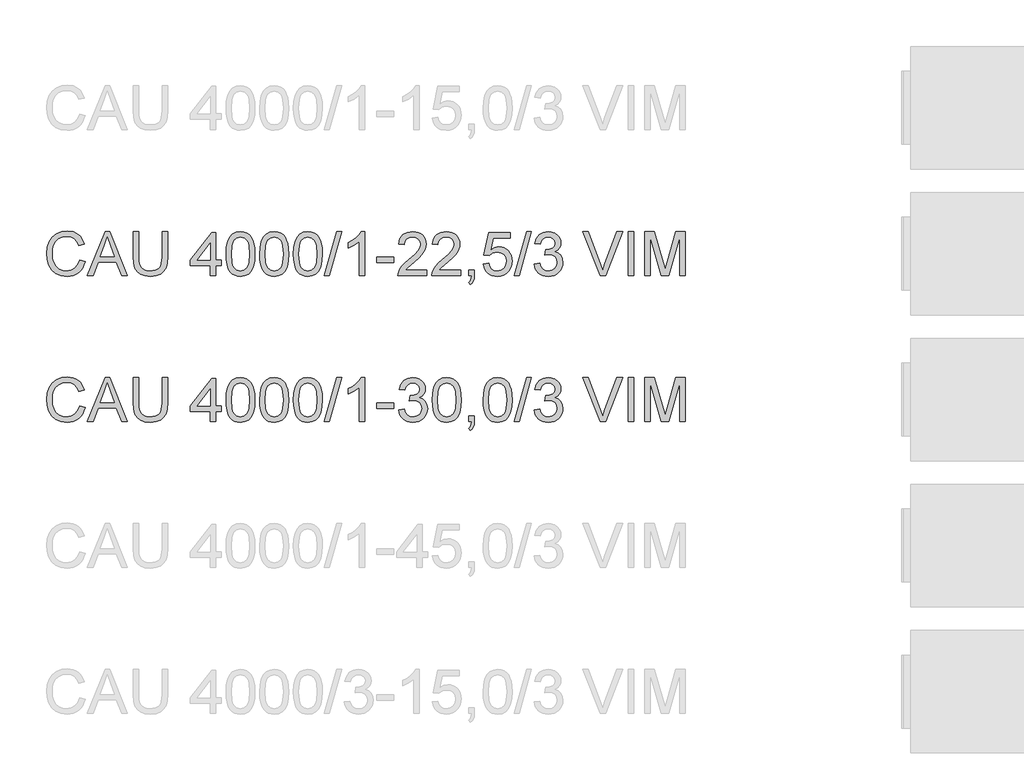
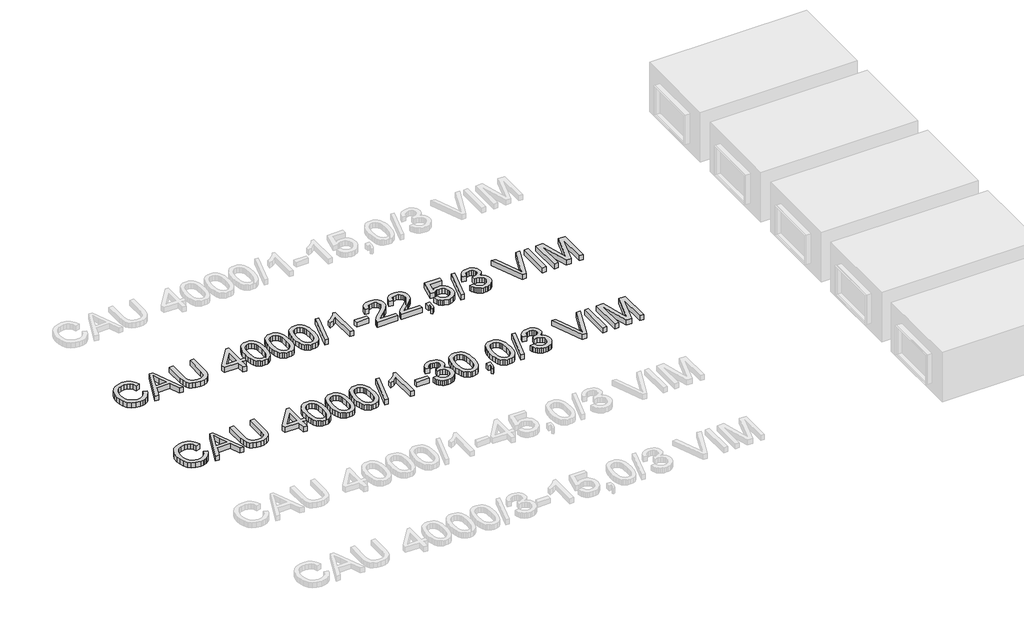
# One storey, part 67 of 74: 2 proxies.
"""IFC4 building model written with IfcOpenShell, lengths in millimetres."""

from ifc_helpers import new_model, si_unit, origin, origin_with_axes, place, context, project, spatial, polyline, outline, extrude, element, save

model = new_model("IFC4")

# Units and contexts
model_context = context("Model", 3, world=origin())
ifc_project = project(units=[si_unit("LENGTHUNIT", "METRE", prefix="MILLI")], contexts=[model_context])

# Site, building, storey
site = spatial("IfcSite", under=ifc_project)
building = spatial("IfcBuilding", under=site)
storey = spatial("IfcBuildingStorey", under=building, Elevation=0.0)

# Proxies
placement = place(None, origin())
element("IfcBuildingElementProxy", 1, Name="Generic Models", at=placement, inside=storey, context=model_context, shape_type="SweptSolid", body=[
    extrude(outline(polyline([(44539.6928381, -4799.1632103), (44577.3639544, -4808.875295), (44569.9097455, -4832.3024803), (44559.9815302, -4852.7728141), (44547.5793084, -4870.2862963), (44532.7030802, -4884.842927), (44515.688538, -4896.2863563), (44496.8713739, -4904.4602344), (44476.2515881, -4909.3645613), (44453.8291805, -4910.9993369), (44410.1339965, -4906.051324), (44375.4335273, -4891.2072855), (44348.835659, -4866.9822562), (44329.4482779, -4833.8912707), (44317.6116747, -4794.9877497), (44313.6661403, -4753.3251137), (44318.1267095, -4709.3816094), (44331.5084171, -4671.4345816), (44353.1122872, -4640.6888439), (44382.2393442, -4618.3492097), (44416.7834636, -4604.7467729), (44454.6385209, -4600.2126274), (44495.9424719, -4606.0803452), (44513.9112081, -4613.4149925), (44530.0911181, -4623.6834986), (44544.2154874, -4636.6145508), (44556.0176017, -4651.9368359), (44572.6550649, -4689.755105), (44534.9839486, -4698.7314257), (44521.9241378, -4671.2598377), (44504.081861, -4652.4150825), (44481.2363891, -4641.5165784), (44453.1669929, -4637.8837437), (44420.8117714, -4641.9120515), (44394.2322973, -4653.996975), (44374.0631669, -4672.8693214), (44360.9389767, -4697.2598977), (44353.7376866, -4724.8326532), (44351.3372566, -4753.2515373), (44354.179145, -4788.0531741), (44362.7048103, -4818.1459213), (44377.2361491, -4842.3801477), (44398.0950582, -4859.6062222), (44423.1018368, -4869.897721), (44450.0767841, -4873.3282206), (44481.5214977, -4868.6561192), (44507.7238928, -4854.6398152), (44527.5067471, -4831.4264613), (44539.6928381, -4799.1632103)])), origin_with_axes(), (0.0, 0.0, 1.0), 50.0),
    extrude(outline(polyline([(44594.065797, -4906.2904473), (44714.3632095, -4604.9215169), (44746.4425194, -4604.9215169), (44866.7399319, -4906.2904473), (44826.9351, -4906.2904473), (44792.4277688, -4812.1126566), (44668.3043837, -4812.1126566), (44633.8706289, -4906.2904473), (44594.065797, -4906.2904473)]), holes=[polyline([(44682.1367467, -4774.4415403), (44778.6689822, -4774.4415403), (44751.519291, -4700.3501064), (44730.4028644, -4642.5926332), (44711.6408827, -4693.8753833), (44682.1367467, -4774.4415403)])]), origin_with_axes(), (0.0, 0.0, 1.0), 50.0),
    extrude(outline(polyline([(45104.7595827, -4604.9215169), (45142.430699, -4604.9215169), (45142.430699, -4778.7825478), (45139.8739192, -4819.4978876), (45132.2035796, -4850.8506307), (45117.8745759, -4875.0388719), (45095.3418037, -4894.2607061), (45064.5500807, -4906.8146792), (45025.4442246, -4910.9993369), (44987.1936941, -4907.3573051), (44956.6135033, -4896.4312099), (44933.694455, -4878.5981302), (44918.4273522, -4854.235145), (44909.8465046, -4821.5580268), (44906.9862221, -4778.7825478), (44906.9862221, -4604.9215169), (44944.6573384, -4604.9215169), (44944.6573384, -4777.4581726), (44946.5151425, -4811.3125132), (44952.0885547, -4834.8845521), (44962.1869155, -4851.2093156), (44977.6195652, -4863.3218303), (44997.7427103, -4870.826623), (45021.9125574, -4873.3282206), (45060.2274672, -4868.3802077), (45074.5702665, -4862.1951917), (45085.7032954, -4853.5361692), (45094.0404211, -4841.3592752), (45099.9955109, -4824.6206444), (45104.7595827, -4777.4581726), (45104.7595827, -4604.9215169)])), origin_with_axes(), (0.0, 0.0, 1.0), 50.0),
    extrude(outline(polyline([(45434.3818504, -4906.2904473), (45434.3818504, -4835.6571043), (45297.8240538, -4835.6571043), (45297.8240538, -4797.985988), (45443.7996295, -4609.6304064), (45472.0529667, -4609.6304064), (45472.0529667, -4797.985988), (45509.724083, -4797.985988), (45509.724083, -4835.6571043), (45472.0529667, -4835.6571043), (45472.0529667, -4906.2904473), (45434.3818504, -4906.2904473)]), holes=[polyline([(45434.3818504, -4797.985988), (45434.3818504, -4681.5881247), (45344.1771852, -4797.985988), (45434.3818504, -4797.985988)])]), origin_with_axes(), (0.0, 0.0, 1.0), 50.0),
    extrude(outline(polyline([(45542.6863098, -4758.0340033), (45545.4546218, -4709.7954767), (45553.7595578, -4671.324217), (45567.5183445, -4642.0316132), (45586.6482082, -4621.3290539), (45611.2871048, -4609.0234011), (45641.5729901, -4604.9215169), (45664.786344, -4607.3495381), (45685.5716767, -4614.6336016), (45702.954101, -4626.4885989), (45715.9587295, -4642.6294214), (45725.7811788, -4662.9181134), (45733.6170653, -4687.2167192), (45738.7490191, -4718.0728216), (45740.4596704, -4758.0340033), (45737.7189495, -4805.9966184), (45729.4967869, -4844.3759076), (45715.8207738, -4873.6961026), (45696.7185012, -4894.4814353), (45672.0244222, -4906.8698615), (45641.5729901, -4910.9993369), (45620.8244456, -4909.2059122), (45602.4303458, -4903.825638), (45586.3906908, -4894.8585143), (45572.7054806, -4882.3045413), (45559.5720934, -4859.6108207), (45550.1911025, -4831.3344908), (45544.562508, -4797.4755517), (45542.6863098, -4758.0340033)]), holes=[polyline([(45580.3574261, -4757.9604269), (45584.77201, -4817.2170193), (45590.29024, -4837.4850179), (45598.0157619, -4851.5128183), (45617.7342368, -4867.87437), (45641.5729901, -4873.3282206), (45665.4117434, -4867.8559759), (45685.1302183, -4851.4392419), (45692.8557402, -4837.3884489), (45698.3739702, -4817.1250488), (45702.7885541, -4757.9604269), (45698.5211229, -4700.0374067), (45693.186834, -4679.8360867), (45685.7188295, -4665.4748933), (45666.0371428, -4648.3131982), (45641.1315317, -4642.5926332), (45617.5502958, -4647.6326165), (45598.6043731, -4662.7525665), (45590.6213338, -4678.3875513), (45584.9191628, -4699.4671897), (45580.3574261, -4757.9604269)])]), origin_with_axes(), (0.0, 0.0, 1.0), 50.0),
    extrude(outline(polyline([(45773.4218972, -4758.0340033), (45776.1902092, -4709.7954767), (45784.4951452, -4671.324217), (45798.2539318, -4642.0316132), (45817.3837956, -4621.3290539), (45842.0226922, -4609.0234011), (45872.3085775, -4604.9215169), (45895.5219314, -4607.3495381), (45916.3072641, -4614.6336016), (45933.6896884, -4626.4885989), (45946.6943169, -4642.6294214), (45956.5167662, -4662.9181134), (45964.3526527, -4687.2167192), (45969.4846065, -4718.0728216), (45971.1952578, -4758.0340033), (45968.4545369, -4805.9966184), (45960.2323743, -4844.3759076), (45946.5563611, -4873.6961026), (45927.4540885, -4894.4814353), (45902.7600096, -4906.8698615), (45872.3085775, -4910.9993369), (45851.5600329, -4909.2059122), (45833.1659332, -4903.825638), (45817.1262782, -4894.8585143), (45803.441068, -4882.3045413), (45790.3076807, -4859.6108207), (45780.9266899, -4831.3344908), (45775.2980953, -4797.4755517), (45773.4218972, -4758.0340033)]), holes=[polyline([(45811.0930135, -4757.9604269), (45815.5075974, -4817.2170193), (45821.0258273, -4837.4850179), (45828.7513492, -4851.5128183), (45848.4698242, -4867.87437), (45872.3085775, -4873.3282206), (45896.1473308, -4867.8559759), (45915.8658057, -4851.4392419), (45923.5913276, -4837.3884489), (45929.1095575, -4817.1250488), (45933.5241415, -4757.9604269), (45929.2567103, -4700.0374067), (45923.9224214, -4679.8360867), (45916.4544169, -4665.4748933), (45896.7727302, -4648.3131982), (45871.8671191, -4642.5926332), (45848.2858832, -4647.6326165), (45829.3399604, -4662.7525665), (45821.3569211, -4678.3875513), (45815.6547502, -4699.4671897), (45811.0930135, -4757.9604269)])]), origin_with_axes(), (0.0, 0.0, 1.0), 50.0),
    extrude(outline(polyline([(46004.1574845, -4758.0340033), (46006.9257966, -4709.7954767), (46015.2307326, -4671.324217), (46028.9895192, -4642.0316132), (46048.119383, -4621.3290539), (46072.7582796, -4609.0234011), (46103.0441648, -4604.9215169), (46126.2575187, -4607.3495381), (46147.0428515, -4614.6336016), (46164.4252757, -4626.4885989), (46177.4299043, -4642.6294214), (46187.2523535, -4662.9181134), (46195.08824, -4687.2167192), (46200.2201939, -4718.0728216), (46201.9308451, -4758.0340033), (46199.1901243, -4805.9966184), (46190.9679617, -4844.3759076), (46177.2919485, -4873.6961026), (46158.1896759, -4894.4814353), (46133.495597, -4906.8698615), (46103.0441648, -4910.9993369), (46082.2956203, -4909.2059122), (46063.9015206, -4903.825638), (46047.8618656, -4894.8585143), (46034.1766553, -4882.3045413), (46021.0432681, -4859.6108207), (46011.6622772, -4831.3344908), (46006.0336827, -4797.4755517), (46004.1574845, -4758.0340033)]), holes=[polyline([(46041.8286008, -4757.9604269), (46046.2431848, -4817.2170193), (46051.7614147, -4837.4850179), (46059.4869366, -4851.5128183), (46079.2054116, -4867.87437), (46103.0441648, -4873.3282206), (46126.8829181, -4867.8559759), (46146.6013931, -4851.4392419), (46154.326915, -4837.3884489), (46159.8451449, -4817.1250488), (46164.2597288, -4757.9604269), (46159.9922977, -4700.0374067), (46154.6580088, -4679.8360867), (46147.1900043, -4665.4748933), (46127.5083175, -4648.3131982), (46102.6027065, -4642.5926332), (46079.0214706, -4647.6326165), (46060.0755478, -4662.7525665), (46052.0925085, -4678.3875513), (46046.3903376, -4699.4671897), (46041.8286008, -4757.9604269)])]), origin_with_axes(), (0.0, 0.0, 1.0), 50.0),
    extrude(outline(polyline([(46216.0575138, -4906.2904473), (46300.8175255, -4604.9215169), (46334.8098218, -4604.9215169), (46250.0498101, -4906.2904473), (46216.0575138, -4906.2904473)])), origin_with_axes(), (0.0, 0.0, 1.0), 50.0),
    extrude(outline(polyline([(46493.8819965, -4906.2904473), (46456.2108802, -4906.2904473), (46456.2108802, -4671.4345816), (46420.5263267, -4696.8552275), (46380.8686476, -4715.8747266), (46380.8686476, -4680.2637495), (46410.4555571, -4664.1689122), (46436.0877351, -4645.0206544), (46456.2936537, -4624.6583859), (46469.6017848, -4604.9215169), (46493.8819965, -4604.9215169), (46493.8819965, -4906.2904473)])), origin_with_axes(), (0.0, 0.0, 1.0), 50.0),
    extrude(outline(polyline([(46573.9331187, -4816.8215461), (46573.9331187, -4779.1504298), (46691.6553571, -4779.1504298), (46691.6553571, -4816.8215461), (46573.9331187, -4816.8215461)])), origin_with_axes(), (0.0, 0.0, 1.0), 50.0),
    extrude(outline(polyline([(46917.682055, -4868.619331), (46917.682055, -4906.2904473), (46719.9086944, -4906.2904473), (46723.9553963, -4880.3179785), (46733.2444167, -4860.0200894), (46746.8376564, -4840.3292056), (46766.500949, -4819.7186168), (46794.0001282, -4796.6616128), (46834.6510887, -4760.553995), (46859.0416649, -4733.9009444), (46871.2369531, -4712.2694831), (46875.3020491, -4691.226633), (46871.4668793, -4672.3634837), (46859.9613699, -4656.6825136), (46842.275443, -4646.1151033), (46819.8990206, -4642.5926332), (46796.4005582, -4646.0323299), (46778.1444142, -4656.3514198), (46766.3629933, -4672.7405627), (46762.2887002, -4694.3904181), (46724.6175839, -4689.6815286), (46733.7502544, -4653.242817), (46742.296613, -4638.7068796), (46753.4963205, -4626.6265546), (46767.0918595, -4617.1306006), (46782.8257126, -4610.3477763), (46820.708361, -4604.9215169), (46840.8981848, -4606.4298331), (46858.866921, -4610.9547816), (46874.6145696, -4618.4963625), (46888.1411308, -4629.0545758), (46899.0051459, -4641.8476722), (46906.7651568, -4656.0939024), (46911.4211633, -4671.7932666), (46912.9731654, -4688.9457646), (46911.2993023, -4706.9627853), (46906.2777131, -4724.6671063), (46897.3657718, -4742.67493), (46884.0208524, -4761.6024586), (46862.748076, -4784.1996102), (46830.0525637, -4813.2163026), (46786.7160647, -4849.4526791), (46769.7199165, -4868.619331), (46917.682055, -4868.619331)])), origin_with_axes(), (0.0, 0.0, 1.0), 50.0),
    extrude(outline(polyline([(47148.4176423, -4868.619331), (47148.4176423, -4906.2904473), (46950.6442817, -4906.2904473), (46954.6909837, -4880.3179785), (46963.9800041, -4860.0200894), (46977.5732438, -4840.3292056), (46997.2365364, -4819.7186168), (47024.7357156, -4796.6616128), (47065.386676, -4760.553995), (47089.7772523, -4733.9009444), (47101.9725404, -4712.2694831), (47106.0376365, -4691.226633), (47102.2024667, -4672.3634837), (47090.6969573, -4656.6825136), (47073.0110304, -4646.1151033), (47050.634608, -4642.5926332), (47027.1361456, -4646.0323299), (47008.8800016, -4656.3514198), (46997.0985807, -4672.7405627), (46993.0242876, -4694.3904181), (46955.3531713, -4689.6815286), (46964.4858418, -4653.242817), (46973.0322004, -4638.7068796), (46984.2319079, -4626.6265546), (46997.8274469, -4617.1306006), (47013.5613, -4610.3477763), (47051.4439484, -4604.9215169), (47071.6337722, -4606.4298331), (47089.6025084, -4610.9547816), (47105.350157, -4618.4963625), (47118.8767181, -4629.0545758), (47129.7407333, -4641.8476722), (47137.5007441, -4656.0939024), (47142.1567506, -4671.7932666), (47143.7087528, -4688.9457646), (47142.0348897, -4706.9627853), (47137.0133005, -4724.6671063), (47128.1013592, -4742.67493), (47114.7564398, -4761.6024586), (47093.4836634, -4784.1996102), (47060.7881511, -4813.2163026), (47017.4516521, -4849.4526791), (47000.4555039, -4868.619331), (47148.4176423, -4868.619331)])), origin_with_axes(), (0.0, 0.0, 1.0), 50.0),
    extrude(outline(polyline([(47204.9243168, -4906.2904473), (47204.9243168, -4868.619331), (47242.5954331, -4868.619331), (47242.5954331, -4906.2904473), (47240.9031759, -4927.8391352), (47235.8264044, -4944.8076922), (47227.0708129, -4957.8215178), (47214.3420959, -4967.5060113), (47204.9243168, -4953.3793427), (47213.0912971, -4946.5551317), (47218.7566798, -4937.1189585), (47223.6862986, -4906.2904473), (47204.9243168, -4906.2904473)])), origin_with_axes(), (0.0, 0.0, 1.0), 50.0),
    extrude(outline(polyline([(47303.8109971, -4826.2393252), (47341.4821134, -4821.5304357), (47348.3982949, -4844.1459813), (47360.4648244, -4860.3419861), (47377.6265194, -4870.081662), (47399.8281978, -4873.3282206), (47426.8307363, -4868.8124691), (47447.064246, -4855.2652146), (47459.7009926, -4834.2499556), (47463.9132414, -4807.3301906), (47459.967707, -4781.9831212), (47448.1311038, -4762.59574), (47428.3114613, -4750.2900873), (47400.416809, -4746.188203), (47382.1422709, -4747.8252779), (47367.3442177, -4752.7365026), (47346.1910029, -4769.7326507), (47308.5198866, -4765.0237612), (47341.4821134, -4609.6304064), (47487.4576891, -4609.6304064), (47487.4576891, -4647.3015227), (47371.9427426, -4647.3015227), (47355.8295112, -4730.2957008), (47382.7400792, -4713.9617403), (47410.9382341, -4708.5170867), (47429.2840493, -4710.2047454), (47446.135344, -4715.2677213), (47461.492118, -4723.7060146), (47475.3543715, -4735.5196252), (47486.8299904, -4749.9865846), (47495.0268611, -4766.3849246), (47499.9449836, -4784.714645), (47501.5843577, -4804.9757459), (47495.6798517, -4842.6468622), (47488.2992192, -4859.4406753), (47477.9663336, -4874.873325), (47462.3129547, -4890.6784552), (47444.0476137, -4901.9678339), (47423.1703104, -4908.7414611), (47399.681045, -4910.9993369), (47362.6813134, -4905.1959984), (47347.0026426, -4897.9418253), (47333.2047685, -4887.785983), (47321.724551, -4875.2343092), (47312.9988499, -4860.7926416), (47303.8109971, -4826.2393252)])), origin_with_axes(), (0.0, 0.0, 1.0), 50.0),
    extrude(outline(polyline([(47515.7110263, -4906.2904473), (47600.471038, -4604.9215169), (47634.4633344, -4604.9215169), (47549.7033227, -4906.2904473), (47515.7110263, -4906.2904473)])), origin_with_axes(), (0.0, 0.0, 1.0), 50.0),
    extrude(outline(polyline([(47652.2688229, -4826.2393252), (47689.9399392, -4821.5304357), (47698.373634, -4845.203642), (47710.725272, -4861.1881147), (47727.6018585, -4870.2931941), (47749.6103989, -4873.3282206), (47775.4357149, -4869.1527599), (47795.3749191, -4856.626378), (47808.1220302, -4837.9379726), (47812.3710672, -4815.2764417), (47808.1588184, -4793.7645421), (47795.5220719, -4776.3177384), (47776.3922081, -4764.7570467), (47752.7006076, -4760.9034828), (47726.2866804, -4765.0237612), (47730.4805351, -4727.3526449), (47736.5137998, -4727.7941033), (47759.0833602, -4725.0901706), (47779.2616877, -4716.9783726), (47793.4987209, -4703.2563742), (47798.2443986, -4683.7218403), (47794.804702, -4667.452259), (47784.485612, -4654.2544924), (47768.7402626, -4645.508098), (47749.0217877, -4642.5926332), (47729.2665245, -4645.5356892), (47713.1165049, -4654.364857), (47701.325887, -4669.0801369), (47694.6488288, -4689.6815286), (47656.9777125, -4684.972639), (47668.0693546, -4651.1458896), (47687.8062237, -4625.8907906), (47714.8087621, -4610.1638353), (47747.6974125, -4604.9215169), (47771.3798159, -4607.5058879), (47793.1308389, -4615.259001), (47811.4697563, -4627.4910773), (47824.9158433, -4643.5123382), (47833.165597, -4661.9708173), (47835.9155149, -4681.5145483), (47833.3035528, -4699.724707), (47825.4676663, -4716.2426086), (47812.51822, -4730.3140949), (47794.5655787, -4741.1850079), (47818.1468146, -4750.7131516), (47835.6212093, -4766.9367476), (47846.43694, -4788.9728791), (47850.0421835, -4815.9386293), (47848.2395618, -4835.050099), (47842.8316964, -4852.6532524), (47833.8185876, -4868.7480897), (47821.2002351, -4883.3346108), (47805.8273662, -4895.4379285), (47788.550708, -4904.0831554), (47769.3702605, -4909.2702915), (47748.2860237, -4910.9993369), (47729.2297363, -4909.5232104), (47711.8657062, -4905.0948309), (47696.1939332, -4897.7141983), (47682.2144173, -4887.3813128), (47670.4927773, -4874.7031795), (47661.5946315, -4860.2868038), (47655.5199801, -4844.1321857), (47652.2688229, -4826.2393252)])), origin_with_axes(), (0.0, 0.0, 1.0), 50.0),
    extrude(outline(polyline([(48103.8807602, -4906.2904473), (47983.9512298, -4604.9215169), (48024.2710965, -4604.9215169), (48104.5429478, -4822.0454704), (48120.803332, -4870.9737758), (48136.842987, -4822.0454704), (48217.3355675, -4604.9215169), (48257.6554342, -4604.9215169), (48142.8026753, -4906.2904473), (48103.8807602, -4906.2904473)])), origin_with_axes(), (0.0, 0.0, 1.0), 50.0),
    extrude(outline(polyline([(48297.3866897, -4906.2904473), (48297.3866897, -4604.9215169), (48335.057806, -4604.9215169), (48335.057806, -4906.2904473), (48297.3866897, -4906.2904473)])), origin_with_axes(), (0.0, 0.0, 1.0), 50.0),
    extrude(outline(polyline([(48410.4000386, -4906.2904473), (48410.4000386, -4604.9215169), (48475.2208461, -4604.9215169), (48536.8778685, -4817.3365809), (48549.31228, -4861.7031495), (48562.776761, -4813.657761), (48623.4037138, -4604.9215169), (48688.2245214, -4604.9215169), (48688.2245214, -4906.2904473), (48650.553405, -4906.2904473), (48650.553405, -4642.5926332), (48574.8432904, -4906.2904473), (48523.7812695, -4906.2904473), (48448.0711549, -4642.5926332), (48448.0711549, -4906.2904473), (48410.4000386, -4906.2904473)])), origin_with_axes(), (0.0, 0.0, 1.0), 50.0),
])
element("IfcBuildingElementProxy", 2, Name="Generic Models", at=placement, inside=storey, context=model_context, shape_type="SweptSolid", body=[
    extrude(outline(polyline([(44539.6928381, -5799.1632103), (44577.3639544, -5808.875295), (44569.9097455, -5832.3024803), (44559.9815302, -5852.7728141), (44547.5793084, -5870.2862963), (44532.7030802, -5884.842927), (44515.688538, -5896.2863563), (44496.8713739, -5904.4602344), (44476.2515881, -5909.3645613), (44453.8291805, -5910.9993369), (44410.1339965, -5906.051324), (44375.4335273, -5891.2072855), (44348.835659, -5866.9822562), (44329.4482779, -5833.8912707), (44317.6116747, -5794.9877497), (44313.6661403, -5753.3251137), (44318.1267095, -5709.3816094), (44331.5084171, -5671.4345816), (44353.1122872, -5640.6888439), (44382.2393442, -5618.3492097), (44416.7834636, -5604.7467729), (44454.6385209, -5600.2126274), (44495.9424719, -5606.0803452), (44513.9112081, -5613.4149925), (44530.0911181, -5623.6834986), (44544.2154874, -5636.6145508), (44556.0176017, -5651.9368359), (44572.6550649, -5689.755105), (44534.9839486, -5698.7314257), (44521.9241378, -5671.2598377), (44504.081861, -5652.4150825), (44481.2363891, -5641.5165784), (44453.1669929, -5637.8837437), (44420.8117714, -5641.9120515), (44394.2322973, -5653.996975), (44374.0631669, -5672.8693214), (44360.9389767, -5697.2598977), (44353.7376866, -5724.8326532), (44351.3372566, -5753.2515373), (44354.179145, -5788.0531741), (44362.7048103, -5818.1459213), (44377.2361491, -5842.3801477), (44398.0950582, -5859.6062222), (44423.1018368, -5869.897721), (44450.0767841, -5873.3282206), (44481.5214977, -5868.6561192), (44507.7238928, -5854.6398152), (44527.5067471, -5831.4264613), (44539.6928381, -5799.1632103)])), origin_with_axes(), (0.0, 0.0, 1.0), 50.0),
    extrude(outline(polyline([(44594.065797, -5906.2904473), (44714.3632095, -5604.9215169), (44746.4425194, -5604.9215169), (44866.7399319, -5906.2904473), (44826.9351, -5906.2904473), (44792.4277688, -5812.1126566), (44668.3043837, -5812.1126566), (44633.8706289, -5906.2904473), (44594.065797, -5906.2904473)]), holes=[polyline([(44682.1367467, -5774.4415403), (44778.6689822, -5774.4415403), (44751.519291, -5700.3501064), (44730.4028644, -5642.5926332), (44711.6408827, -5693.8753833), (44682.1367467, -5774.4415403)])]), origin_with_axes(), (0.0, 0.0, 1.0), 50.0),
    extrude(outline(polyline([(45104.7595827, -5604.9215169), (45142.430699, -5604.9215169), (45142.430699, -5778.7825478), (45139.8739192, -5819.4978876), (45132.2035796, -5850.8506307), (45117.8745759, -5875.0388719), (45095.3418037, -5894.2607061), (45064.5500807, -5906.8146792), (45025.4442246, -5910.9993369), (44987.1936941, -5907.3573051), (44956.6135033, -5896.4312099), (44933.694455, -5878.5981302), (44918.4273522, -5854.235145), (44909.8465046, -5821.5580268), (44906.9862221, -5778.7825478), (44906.9862221, -5604.9215169), (44944.6573384, -5604.9215169), (44944.6573384, -5777.4581726), (44946.5151425, -5811.3125132), (44952.0885547, -5834.8845521), (44962.1869155, -5851.2093156), (44977.6195652, -5863.3218303), (44997.7427103, -5870.826623), (45021.9125574, -5873.3282206), (45060.2274672, -5868.3802077), (45074.5702665, -5862.1951917), (45085.7032954, -5853.5361692), (45094.0404211, -5841.3592752), (45099.9955109, -5824.6206444), (45104.7595827, -5777.4581726), (45104.7595827, -5604.9215169)])), origin_with_axes(), (0.0, 0.0, 1.0), 50.0),
    extrude(outline(polyline([(45434.3818504, -5906.2904473), (45434.3818504, -5835.6571043), (45297.8240538, -5835.6571043), (45297.8240538, -5797.985988), (45443.7996295, -5609.6304064), (45472.0529667, -5609.6304064), (45472.0529667, -5797.985988), (45509.724083, -5797.985988), (45509.724083, -5835.6571043), (45472.0529667, -5835.6571043), (45472.0529667, -5906.2904473), (45434.3818504, -5906.2904473)]), holes=[polyline([(45434.3818504, -5797.985988), (45434.3818504, -5681.5881247), (45344.1771852, -5797.985988), (45434.3818504, -5797.985988)])]), origin_with_axes(), (0.0, 0.0, 1.0), 50.0),
    extrude(outline(polyline([(45542.6863098, -5758.0340033), (45545.4546218, -5709.7954767), (45553.7595578, -5671.324217), (45567.5183445, -5642.0316132), (45586.6482082, -5621.3290539), (45611.2871048, -5609.0234011), (45641.5729901, -5604.9215169), (45664.786344, -5607.3495381), (45685.5716767, -5614.6336016), (45702.954101, -5626.4885989), (45715.9587295, -5642.6294214), (45725.7811788, -5662.9181134), (45733.6170653, -5687.2167192), (45738.7490191, -5718.0728216), (45740.4596704, -5758.0340033), (45737.7189495, -5805.9966184), (45729.4967869, -5844.3759076), (45715.8207738, -5873.6961026), (45696.7185012, -5894.4814353), (45672.0244222, -5906.8698615), (45641.5729901, -5910.9993369), (45620.8244456, -5909.2059122), (45602.4303458, -5903.825638), (45586.3906908, -5894.8585143), (45572.7054806, -5882.3045413), (45559.5720934, -5859.6108207), (45550.1911025, -5831.3344908), (45544.562508, -5797.4755517), (45542.6863098, -5758.0340033)]), holes=[polyline([(45580.3574261, -5757.9604269), (45584.77201, -5817.2170193), (45590.29024, -5837.4850179), (45598.0157619, -5851.5128183), (45617.7342368, -5867.87437), (45641.5729901, -5873.3282206), (45665.4117434, -5867.8559759), (45685.1302183, -5851.4392419), (45692.8557402, -5837.3884489), (45698.3739702, -5817.1250488), (45702.7885541, -5757.9604269), (45698.5211229, -5700.0374067), (45693.186834, -5679.8360867), (45685.7188295, -5665.4748933), (45666.0371428, -5648.3131982), (45641.1315317, -5642.5926332), (45617.5502958, -5647.6326165), (45598.6043731, -5662.7525665), (45590.6213338, -5678.3875513), (45584.9191628, -5699.4671897), (45580.3574261, -5757.9604269)])]), origin_with_axes(), (0.0, 0.0, 1.0), 50.0),
    extrude(outline(polyline([(45773.4218972, -5758.0340033), (45776.1902092, -5709.7954767), (45784.4951452, -5671.324217), (45798.2539318, -5642.0316132), (45817.3837956, -5621.3290539), (45842.0226922, -5609.0234011), (45872.3085775, -5604.9215169), (45895.5219314, -5607.3495381), (45916.3072641, -5614.6336016), (45933.6896884, -5626.4885989), (45946.6943169, -5642.6294214), (45956.5167662, -5662.9181134), (45964.3526527, -5687.2167192), (45969.4846065, -5718.0728216), (45971.1952578, -5758.0340033), (45968.4545369, -5805.9966184), (45960.2323743, -5844.3759076), (45946.5563611, -5873.6961026), (45927.4540885, -5894.4814353), (45902.7600096, -5906.8698615), (45872.3085775, -5910.9993369), (45851.5600329, -5909.2059122), (45833.1659332, -5903.825638), (45817.1262782, -5894.8585143), (45803.441068, -5882.3045413), (45790.3076807, -5859.6108207), (45780.9266899, -5831.3344908), (45775.2980953, -5797.4755517), (45773.4218972, -5758.0340033)]), holes=[polyline([(45811.0930135, -5757.9604269), (45815.5075974, -5817.2170193), (45821.0258273, -5837.4850179), (45828.7513492, -5851.5128183), (45848.4698242, -5867.87437), (45872.3085775, -5873.3282206), (45896.1473308, -5867.8559759), (45915.8658057, -5851.4392419), (45923.5913276, -5837.3884489), (45929.1095575, -5817.1250488), (45933.5241415, -5757.9604269), (45929.2567103, -5700.0374067), (45923.9224214, -5679.8360867), (45916.4544169, -5665.4748933), (45896.7727302, -5648.3131982), (45871.8671191, -5642.5926332), (45848.2858832, -5647.6326165), (45829.3399604, -5662.7525665), (45821.3569211, -5678.3875513), (45815.6547502, -5699.4671897), (45811.0930135, -5757.9604269)])]), origin_with_axes(), (0.0, 0.0, 1.0), 50.0),
    extrude(outline(polyline([(46004.1574845, -5758.0340033), (46006.9257966, -5709.7954767), (46015.2307326, -5671.324217), (46028.9895192, -5642.0316132), (46048.119383, -5621.3290539), (46072.7582796, -5609.0234011), (46103.0441648, -5604.9215169), (46126.2575187, -5607.3495381), (46147.0428515, -5614.6336016), (46164.4252757, -5626.4885989), (46177.4299043, -5642.6294214), (46187.2523535, -5662.9181134), (46195.08824, -5687.2167192), (46200.2201939, -5718.0728216), (46201.9308451, -5758.0340033), (46199.1901243, -5805.9966184), (46190.9679617, -5844.3759076), (46177.2919485, -5873.6961026), (46158.1896759, -5894.4814353), (46133.495597, -5906.8698615), (46103.0441648, -5910.9993369), (46082.2956203, -5909.2059122), (46063.9015206, -5903.825638), (46047.8618656, -5894.8585143), (46034.1766553, -5882.3045413), (46021.0432681, -5859.6108207), (46011.6622772, -5831.3344908), (46006.0336827, -5797.4755517), (46004.1574845, -5758.0340033)]), holes=[polyline([(46041.8286008, -5757.9604269), (46046.2431848, -5817.2170193), (46051.7614147, -5837.4850179), (46059.4869366, -5851.5128183), (46079.2054116, -5867.87437), (46103.0441648, -5873.3282206), (46126.8829181, -5867.8559759), (46146.6013931, -5851.4392419), (46154.326915, -5837.3884489), (46159.8451449, -5817.1250488), (46164.2597288, -5757.9604269), (46159.9922977, -5700.0374067), (46154.6580088, -5679.8360867), (46147.1900043, -5665.4748933), (46127.5083175, -5648.3131982), (46102.6027065, -5642.5926332), (46079.0214706, -5647.6326165), (46060.0755478, -5662.7525665), (46052.0925085, -5678.3875513), (46046.3903376, -5699.4671897), (46041.8286008, -5757.9604269)])]), origin_with_axes(), (0.0, 0.0, 1.0), 50.0),
    extrude(outline(polyline([(46216.0575138, -5906.2904473), (46300.8175255, -5604.9215169), (46334.8098218, -5604.9215169), (46250.0498101, -5906.2904473), (46216.0575138, -5906.2904473)])), origin_with_axes(), (0.0, 0.0, 1.0), 50.0),
    extrude(outline(polyline([(46493.8819965, -5906.2904473), (46456.2108802, -5906.2904473), (46456.2108802, -5671.4345816), (46420.5263267, -5696.8552275), (46380.8686476, -5715.8747266), (46380.8686476, -5680.2637495), (46410.4555571, -5664.1689122), (46436.0877351, -5645.0206544), (46456.2936537, -5624.6583859), (46469.6017848, -5604.9215169), (46493.8819965, -5604.9215169), (46493.8819965, -5906.2904473)])), origin_with_axes(), (0.0, 0.0, 1.0), 50.0),
    extrude(outline(polyline([(46573.9331187, -5816.8215461), (46573.9331187, -5779.1504298), (46691.6553571, -5779.1504298), (46691.6553571, -5816.8215461), (46573.9331187, -5816.8215461)])), origin_with_axes(), (0.0, 0.0, 1.0), 50.0),
    extrude(outline(polyline([(46724.6175839, -5826.2393252), (46762.2887002, -5821.5304357), (46770.7223949, -5845.203642), (46783.0740329, -5861.1881147), (46799.9506195, -5870.2931941), (46821.9591598, -5873.3282206), (46847.7844759, -5869.1527599), (46867.72368, -5856.626378), (46880.4707912, -5837.9379726), (46884.7198282, -5815.2764417), (46880.5075794, -5793.7645421), (46867.8708328, -5776.3177384), (46848.7409691, -5764.7570467), (46825.0493686, -5760.9034828), (46798.6354413, -5765.0237612), (46802.8292961, -5727.3526449), (46808.8625608, -5727.7941033), (46831.4321212, -5725.0901706), (46851.6104486, -5716.9783726), (46865.8474818, -5703.2563742), (46870.5931596, -5683.7218403), (46867.1534629, -5667.452259), (46856.834373, -5654.2544924), (46841.0890236, -5645.508098), (46821.3705486, -5642.5926332), (46801.6152855, -5645.5356892), (46785.4652659, -5654.364857), (46773.674648, -5669.0801369), (46766.9975897, -5689.6815286), (46729.3264734, -5684.972639), (46740.4181156, -5651.1458896), (46760.1549846, -5625.8907906), (46787.1575231, -5610.1638353), (46820.0461734, -5604.9215169), (46843.7285769, -5607.5058879), (46865.4795999, -5615.259001), (46883.8185173, -5627.4910773), (46897.2646042, -5643.5123382), (46905.514358, -5661.9708173), (46908.2642759, -5681.5145483), (46905.6523137, -5699.724707), (46897.8164272, -5716.2426086), (46884.866981, -5730.3140949), (46866.9143396, -5741.1850079), (46890.4955755, -5750.7131516), (46907.9699703, -5766.9367476), (46918.785701, -5788.9728791), (46922.3909445, -5815.9386293), (46920.5883227, -5835.050099), (46915.1804574, -5852.6532524), (46906.1673485, -5868.7480897), (46893.5489961, -5883.3346108), (46878.1761272, -5895.4379285), (46860.899469, -5904.0831554), (46841.7190215, -5909.2702915), (46820.6347846, -5910.9993369), (46801.5784973, -5909.5232104), (46784.2144671, -5905.0948309), (46768.5426941, -5897.7141983), (46754.5631783, -5887.3813128), (46742.8415382, -5874.7031795), (46733.9433925, -5860.2868038), (46727.868741, -5844.1321857), (46724.6175839, -5826.2393252)])), origin_with_axes(), (0.0, 0.0, 1.0), 50.0),
    extrude(outline(polyline([(46955.3531713, -5758.0340033), (46958.1214833, -5709.7954767), (46966.4264193, -5671.324217), (46980.1852059, -5642.0316132), (46999.3150697, -5621.3290539), (47023.9539663, -5609.0234011), (47054.2398516, -5604.9215169), (47077.4532055, -5607.3495381), (47098.2385382, -5614.6336016), (47115.6209625, -5626.4885989), (47128.625591, -5642.6294214), (47138.4480403, -5662.9181134), (47146.2839268, -5687.2167192), (47151.4158806, -5718.0728216), (47153.1265319, -5758.0340033), (47150.385811, -5805.9966184), (47142.1636484, -5844.3759076), (47128.4876353, -5873.6961026), (47109.3853627, -5894.4814353), (47084.6912837, -5906.8698615), (47054.2398516, -5910.9993369), (47033.491307, -5909.2059122), (47015.0972073, -5903.825638), (46999.0575523, -5894.8585143), (46985.3723421, -5882.3045413), (46972.2389549, -5859.6108207), (46962.857964, -5831.3344908), (46957.2293694, -5797.4755517), (46955.3531713, -5758.0340033)]), holes=[polyline([(46993.0242876, -5757.9604269), (46997.4388715, -5817.2170193), (47002.9571014, -5837.4850179), (47010.6826233, -5851.5128183), (47030.4010983, -5867.87437), (47054.2398516, -5873.3282206), (47078.0786049, -5867.8559759), (47097.7970798, -5851.4392419), (47105.5226017, -5837.3884489), (47111.0408316, -5817.1250488), (47115.4554156, -5757.9604269), (47111.1879844, -5700.0374067), (47105.8536955, -5679.8360867), (47098.385691, -5665.4748933), (47078.7040043, -5648.3131982), (47053.7983932, -5642.5926332), (47030.2171573, -5647.6326165), (47011.2712345, -5662.7525665), (47003.2881952, -5678.3875513), (46997.5860243, -5699.4671897), (46993.0242876, -5757.9604269)])]), origin_with_axes(), (0.0, 0.0, 1.0), 50.0),
    extrude(outline(polyline([(47204.9243168, -5906.2904473), (47204.9243168, -5868.619331), (47242.5954331, -5868.619331), (47242.5954331, -5906.2904473), (47240.9031759, -5927.8391352), (47235.8264044, -5944.8076922), (47227.0708129, -5957.8215178), (47214.3420959, -5967.5060113), (47204.9243168, -5953.3793427), (47213.0912971, -5946.5551317), (47218.7566798, -5937.1189585), (47223.6862986, -5906.2904473), (47204.9243168, -5906.2904473)])), origin_with_axes(), (0.0, 0.0, 1.0), 50.0),
    extrude(outline(polyline([(47303.8109971, -5758.0340033), (47306.5793091, -5709.7954767), (47314.8842452, -5671.324217), (47328.6430318, -5642.0316132), (47347.7728955, -5621.3290539), (47372.4117922, -5609.0234011), (47402.6976774, -5604.9215169), (47425.9110313, -5607.3495381), (47446.696364, -5614.6336016), (47464.0787883, -5626.4885989), (47477.0834168, -5642.6294214), (47486.9058661, -5662.9181134), (47494.7417526, -5687.2167192), (47499.8737064, -5718.0728216), (47501.5843577, -5758.0340033), (47498.8436368, -5805.9966184), (47490.6214743, -5844.3759076), (47476.9454611, -5873.6961026), (47457.8431885, -5894.4814353), (47433.1491096, -5906.8698615), (47402.6976774, -5910.9993369), (47381.9491329, -5909.2059122), (47363.5550331, -5903.825638), (47347.5153781, -5894.8585143), (47333.8301679, -5882.3045413), (47320.6967807, -5859.6108207), (47311.3157898, -5831.3344908), (47305.6871953, -5797.4755517), (47303.8109971, -5758.0340033)]), holes=[polyline([(47341.4821134, -5757.9604269), (47345.8966974, -5817.2170193), (47351.4149273, -5837.4850179), (47359.1404492, -5851.5128183), (47378.8589241, -5867.87437), (47402.6976774, -5873.3282206), (47426.5364307, -5867.8559759), (47446.2549056, -5851.4392419), (47453.9804275, -5837.3884489), (47459.4986575, -5817.1250488), (47463.9132414, -5757.9604269), (47459.6458103, -5700.0374067), (47454.3115213, -5679.8360867), (47446.8435168, -5665.4748933), (47427.1618301, -5648.3131982), (47402.256219, -5642.5926332), (47378.6749831, -5647.6326165), (47359.7290604, -5662.7525665), (47351.7460211, -5678.3875513), (47346.0438501, -5699.4671897), (47341.4821134, -5757.9604269)])]), origin_with_axes(), (0.0, 0.0, 1.0), 50.0),
    extrude(outline(polyline([(47515.7110263, -5906.2904473), (47600.471038, -5604.9215169), (47634.4633344, -5604.9215169), (47549.7033227, -5906.2904473), (47515.7110263, -5906.2904473)])), origin_with_axes(), (0.0, 0.0, 1.0), 50.0),
    extrude(outline(polyline([(47652.2688229, -5826.2393252), (47689.9399392, -5821.5304357), (47698.373634, -5845.203642), (47710.725272, -5861.1881147), (47727.6018585, -5870.2931941), (47749.6103989, -5873.3282206), (47775.4357149, -5869.1527599), (47795.3749191, -5856.626378), (47808.1220302, -5837.9379726), (47812.3710672, -5815.2764417), (47808.1588184, -5793.7645421), (47795.5220719, -5776.3177384), (47776.3922081, -5764.7570467), (47752.7006076, -5760.9034828), (47726.2866804, -5765.0237612), (47730.4805351, -5727.3526449), (47736.5137998, -5727.7941033), (47759.0833602, -5725.0901706), (47779.2616877, -5716.9783726), (47793.4987209, -5703.2563742), (47798.2443986, -5683.7218403), (47794.804702, -5667.452259), (47784.485612, -5654.2544924), (47768.7402626, -5645.508098), (47749.0217877, -5642.5926332), (47729.2665245, -5645.5356892), (47713.1165049, -5654.364857), (47701.325887, -5669.0801369), (47694.6488288, -5689.6815286), (47656.9777125, -5684.972639), (47668.0693546, -5651.1458896), (47687.8062237, -5625.8907906), (47714.8087621, -5610.1638353), (47747.6974125, -5604.9215169), (47771.3798159, -5607.5058879), (47793.1308389, -5615.259001), (47811.4697563, -5627.4910773), (47824.9158433, -5643.5123382), (47833.165597, -5661.9708173), (47835.9155149, -5681.5145483), (47833.3035528, -5699.724707), (47825.4676663, -5716.2426086), (47812.51822, -5730.3140949), (47794.5655787, -5741.1850079), (47818.1468146, -5750.7131516), (47835.6212093, -5766.9367476), (47846.43694, -5788.9728791), (47850.0421835, -5815.9386293), (47848.2395618, -5835.050099), (47842.8316964, -5852.6532524), (47833.8185876, -5868.7480897), (47821.2002351, -5883.3346108), (47805.8273662, -5895.4379285), (47788.550708, -5904.0831554), (47769.3702605, -5909.2702915), (47748.2860237, -5910.9993369), (47729.2297363, -5909.5232104), (47711.8657062, -5905.0948309), (47696.1939332, -5897.7141983), (47682.2144173, -5887.3813128), (47670.4927773, -5874.7031795), (47661.5946315, -5860.2868038), (47655.5199801, -5844.1321857), (47652.2688229, -5826.2393252)])), origin_with_axes(), (0.0, 0.0, 1.0), 50.0),
    extrude(outline(polyline([(48103.8807602, -5906.2904473), (47983.9512298, -5604.9215169), (48024.2710965, -5604.9215169), (48104.5429478, -5822.0454704), (48120.803332, -5870.9737758), (48136.842987, -5822.0454704), (48217.3355675, -5604.9215169), (48257.6554342, -5604.9215169), (48142.8026753, -5906.2904473), (48103.8807602, -5906.2904473)])), origin_with_axes(), (0.0, 0.0, 1.0), 50.0),
    extrude(outline(polyline([(48297.3866897, -5906.2904473), (48297.3866897, -5604.9215169), (48335.057806, -5604.9215169), (48335.057806, -5906.2904473), (48297.3866897, -5906.2904473)])), origin_with_axes(), (0.0, 0.0, 1.0), 50.0),
    extrude(outline(polyline([(48410.4000386, -5906.2904473), (48410.4000386, -5604.9215169), (48475.2208461, -5604.9215169), (48536.8778685, -5817.3365809), (48549.31228, -5861.7031495), (48562.776761, -5813.657761), (48623.4037138, -5604.9215169), (48688.2245214, -5604.9215169), (48688.2245214, -5906.2904473), (48650.553405, -5906.2904473), (48650.553405, -5642.5926332), (48574.8432904, -5906.2904473), (48523.7812695, -5906.2904473), (48448.0711549, -5642.5926332), (48448.0711549, -5906.2904473), (48410.4000386, -5906.2904473)])), origin_with_axes(), (0.0, 0.0, 1.0), 50.0),
])

save(model, "model.ifc")
